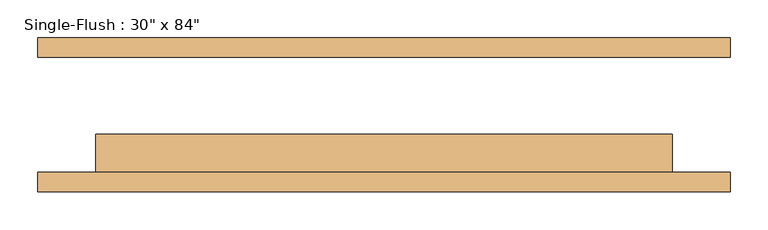
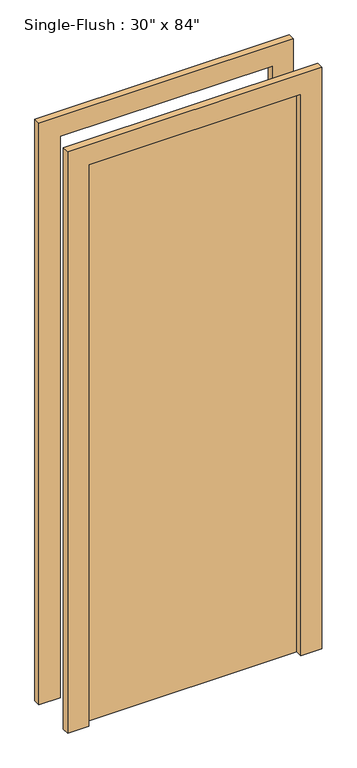
"""IFC4 building model written with IfcOpenShell, lengths in millimetres: door geometry."""

from ifc_helpers import new_model, si_unit, frame, origin, origin_with_axes, place, context, project, spatial, polyline, outline, extrude, source, transform, mapped, element, save


def door_e2b13fe9(model_context):
    return source(origin(), model_context, "Body", "SweptSolid", [
        extrude(outline(polyline([(2209.8, -457.2), (0.0, -457.2), (0.0, -381.0), (2133.6, -381.0), (2133.6, 381.0), (0.0, 381.0), (0.0, 457.2), (2209.8, 457.2), (2209.8, -457.2)])), frame((0.0, -101.6, 0.0), z_axis=(0.0, 1.0, 0.0), x_axis=(0.0, 0.0, 1.0)), (0.0, 0.0, 1.0), 25.4),
        extrude(outline(polyline([(2209.8, 457.2), (2209.8, -457.2), (0.0, -457.2), (0.0, -381.0), (2133.6, -381.0), (2133.6, 381.0), (0.0, 381.0), (0.0, 457.2), (2209.8, 457.2)])), frame((0.0, 76.2, 0.0), z_axis=(0.0, 1.0, 0.0), x_axis=(0.0, 0.0, 1.0)), (0.0, 0.0, 1.0), 25.4),
        extrude(outline(polyline([(381.0, -25.4), (381.0, -76.2), (-381.0, -76.2), (-381.0, -25.4), (381.0, -25.4)])), origin_with_axes(), (0.0, 0.0, 1.0), 2133.6),
    ])


if __name__ == "__main__":
    model = new_model("IFC4")
    model_context = context("Model", 3, world=origin())
    ifc_project = project(units=[si_unit("LENGTHUNIT", "METRE", prefix="MILLI")], contexts=[model_context])
    site = spatial("IfcSite", under=ifc_project)
    building = spatial("IfcBuilding", under=site)
    placement = place(None, origin())
    door_shape = door_e2b13fe9(model_context)
    element("IfcDoor", 1, ObjectType="Single-Flush : 30\" x 84\"", at=placement, inside=building, context=model_context, shape_type="MappedRepresentation", body=[
        mapped(door_shape, transform((0.0, 0.0, 0.0), x_axis=(1.0, 0.0, 0.0), y_axis=(0.0, 1.0, 0.0), z_axis=(0.0, 0.0, 1.0))),
    ])
    save(model, "model.ifc")
